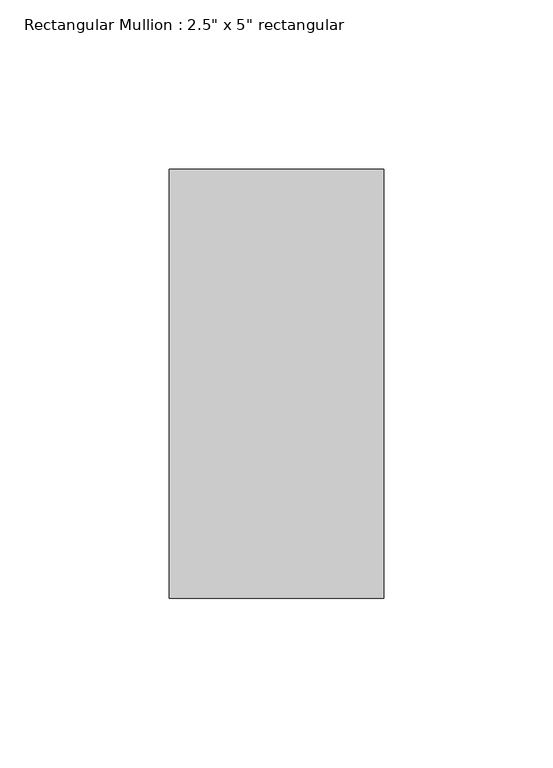
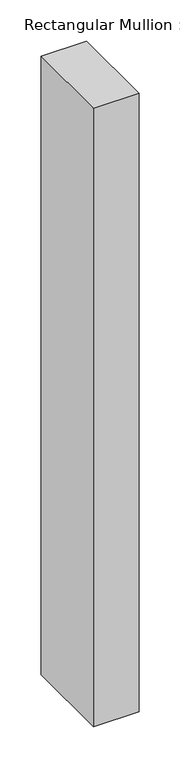
"""IFC4 building model written with IfcOpenShell, lengths in millimetres: member geometry."""

from ifc_helpers import new_model, si_unit, frame, origin, place, context, project, spatial, polyline, outline, extrude, source, transform, mapped, element, save


def member_410c6227(model_context):
    return source(origin(), model_context, "Body", "SweptSolid", [
        extrude(outline(polyline([(31.75, 63.5), (31.75, -63.5), (-31.75, -63.5), (-31.75, 63.5), (31.75, 63.5)])), frame((0.0, 0.0, -914.4), z_axis=(0.0, 0.0, 1.0), x_axis=(1.0, 0.0, 0.0)), (0.0, 0.0, 1.0), 914.4),
    ])


if __name__ == "__main__":
    model = new_model("IFC4")
    model_context = context("Model", 3, world=origin())
    ifc_project = project(units=[si_unit("LENGTHUNIT", "METRE", prefix="MILLI")], contexts=[model_context])
    site = spatial("IfcSite", under=ifc_project)
    building = spatial("IfcBuilding", under=site)
    placement = place(None, origin())
    member_shape = member_410c6227(model_context)
    element("IfcMember", 1, ObjectType="Rectangular Mullion : 2.5\" x 5\" rectangular", at=placement, inside=building, context=model_context, shape_type="MappedRepresentation", body=[
        mapped(member_shape, transform((0.0, 0.0, 0.0), x_axis=(1.0, 0.0, 0.0), y_axis=(0.0, 1.0, 0.0), z_axis=(0.0, 0.0, 1.0))),
    ])
    save(model, "model.ifc")
